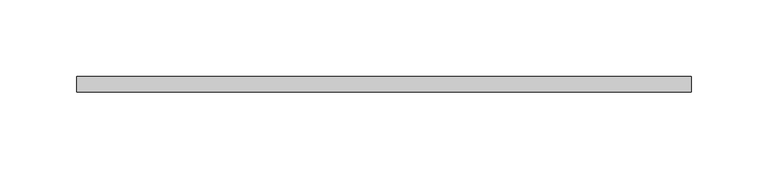
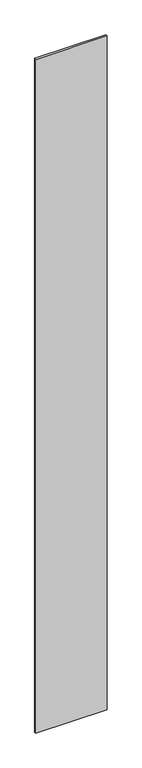
"""IFC4 building model written with IfcOpenShell, lengths in millimetres: plate geometry."""

from ifc_helpers import new_model, si_unit, origin, origin_with_axes, place, context, project, spatial, polyline, outline, extrude, source, transform, mapped, element, save


def plate_72b5d7b8(model_context):
    return source(origin(), model_context, "Body", "SweptSolid", [
        extrude(outline(polyline([(200.0, -5.0), (-200.0, -5.0), (-200.0, 5.0), (200.0, 5.0), (200.0, -5.0)])), origin_with_axes(), (0.0, 0.0, 1.0), 4000.0),
    ])


if __name__ == "__main__":
    model = new_model("IFC4")
    model_context = context("Model", 3, world=origin())
    ifc_project = project(units=[si_unit("LENGTHUNIT", "METRE", prefix="MILLI")], contexts=[model_context])
    site = spatial("IfcSite", under=ifc_project)
    building = spatial("IfcBuilding", under=site)
    placement = place(None, origin())
    plate_shape = plate_72b5d7b8(model_context)
    element("IfcPlate", 1, at=placement, inside=building, context=model_context, shape_type="MappedRepresentation", body=[
        mapped(plate_shape, transform((0.0, 0.0, 0.0), x_axis=(1.0, 0.0, 0.0), y_axis=(0.0, 1.0, 0.0), z_axis=(0.0, 0.0, 1.0))),
    ])
    save(model, "model.ifc")
